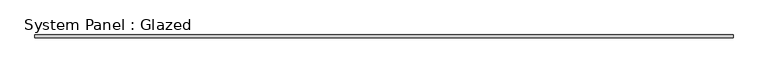
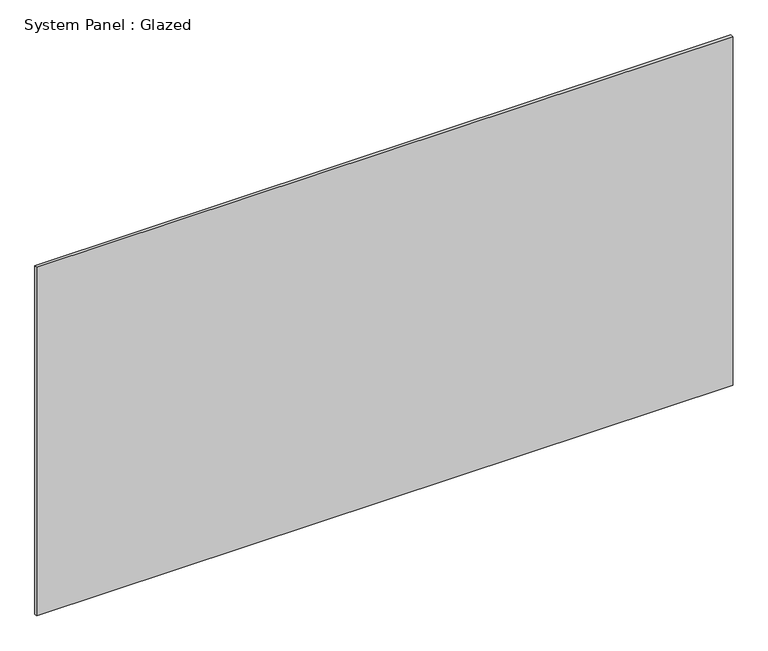
"""IFC4 building model written with IfcOpenShell, lengths in millimetres: plate geometry, System Panel : Glazed."""

from ifc_helpers import new_model, si_unit, origin, origin_with_axes, place, context, project, spatial, polyline, outline, extrude, source, transform, mapped, element, save


def system_panel_glazed_8d181d5a(model_context):
    return source(origin(), model_context, "Body", "SweptSolid", [
        extrude(outline(polyline([(2871.4, 19.05), (-2871.4, 19.05), (-2871.4, 44.45), (2871.4, 44.45), (2871.4, 19.05)])), origin_with_axes(), (0.0, 0.0, 1.0), 3040.0),
    ])


if __name__ == "__main__":
    model = new_model("IFC4")
    model_context = context("Model", 3, world=origin())
    ifc_project = project(units=[si_unit("LENGTHUNIT", "METRE", prefix="MILLI")], contexts=[model_context])
    site = spatial("IfcSite", under=ifc_project)
    building = spatial("IfcBuilding", under=site)
    placement = place(None, origin())
    system_panel_glazed_shape = system_panel_glazed_8d181d5a(model_context)
    element("IfcPlate", 1, ObjectType="System Panel : Glazed", at=placement, inside=building, context=model_context, shape_type="MappedRepresentation", body=[
        mapped(system_panel_glazed_shape, transform((0.0, 0.0, 0.0), x_axis=(1.0, 0.0, 0.0), y_axis=(0.0, 1.0, 0.0), z_axis=(0.0, 0.0, 1.0))),
    ])
    save(model, "model.ifc")
